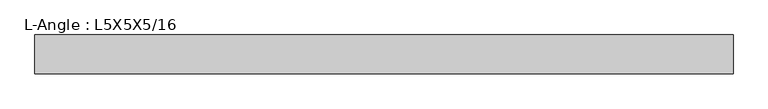
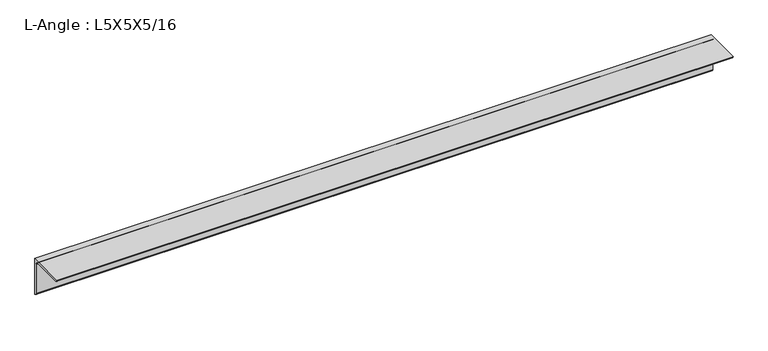
"""IFC4 building model written with IfcOpenShell, lengths in millimetres: beam geometry, L-Angle : L5X5X5/16."""

from ifc_helpers import new_model, si_unit, point, frame, frame_2d, origin, place, context, project, spatial, polyline, circle_curve, trimmed, segment, composite_curve, outline, extrude, source, transform, mapped, element, save


def l_angle_l5x5x5_16_a7512614(model_context):
    return source(origin(), model_context, "Body", "SweptSolid", [
        extrude(outline(composite_curve([segment(polyline([(34.3296875, 34.3296875), (34.3296875, -92.6703125)]), True, "CONTINUOUS"), segment(trimmed(circle_curve(frame_2d((34.3296875, -84.7328125)), 7.9375), [point((34.3296875, -92.6703125))], [point((26.3921875, -84.7328125))], False, "CARTESIAN"), True, "CONTINUOUS"), segment(polyline([(26.3921875, -84.7328125), (26.3921875, 18.4546875)]), True, "CONTINUOUS"), segment(trimmed(circle_curve(frame_2d((18.4546875, 18.4546875)), 7.9375), [point((26.3921875, 18.4546875))], [point((18.4546875, 26.3921875))], True, "CARTESIAN"), True, "CONTINUOUS"), segment(polyline([(18.4546875, 26.3921875), (-84.7328125, 26.3921875)]), True, "CONTINUOUS"), segment(trimmed(circle_curve(frame_2d((-84.7328125, 34.3296875)), 7.9375), [point((-84.7328125, 26.3921875))], [point((-92.6703125, 34.3296875))], False, "CARTESIAN"), True, "CONTINUOUS"), segment(polyline([(-92.6703125, 34.3296875), (34.3296875, 34.3296875)]), True, "CONTINUOUS")], self_intersect=False)), frame((-1123.2058594, 0.0, 0.0), z_axis=(1.0, 0.0, 0.0), x_axis=(0.0, 1.0, 0.0)), (0.0, 0.0, 1.0), 2279.4019531),
    ])


if __name__ == "__main__":
    model = new_model("IFC4")
    model_context = context("Model", 3, world=origin())
    ifc_project = project(units=[si_unit("LENGTHUNIT", "METRE", prefix="MILLI")], contexts=[model_context])
    site = spatial("IfcSite", under=ifc_project)
    building = spatial("IfcBuilding", under=site)
    placement = place(None, origin())
    l_angle_l5x5x5_16_shape = l_angle_l5x5x5_16_a7512614(model_context)
    element("IfcBeam", 1, ObjectType="L-Angle : L5X5X5/16", at=placement, inside=building, context=model_context, shape_type="MappedRepresentation", body=[
        mapped(l_angle_l5x5x5_16_shape, transform((0.0, 0.0, 0.0), x_axis=(1.0, 0.0, 0.0), y_axis=(0.0, 1.0, 0.0), z_axis=(0.0, 0.0, 1.0))),
    ])
    save(model, "model.ifc")
